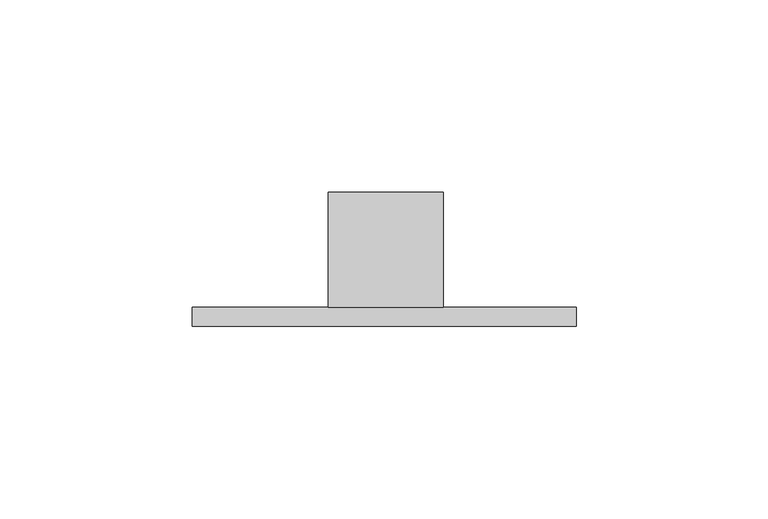
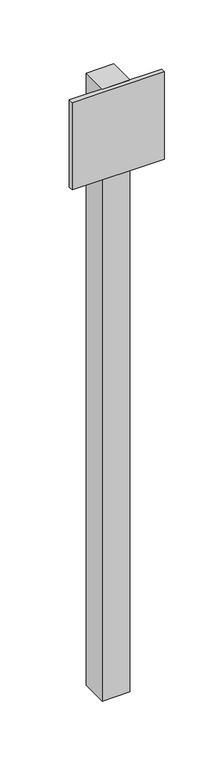
"""IFC4 building model written with IfcOpenShell, lengths in millimetres: proxy geometry."""

from ifc_helpers import new_model, si_unit, frame, origin, place, context, project, spatial, polyline, outline, extrude, source, transform, mapped, element, save


def building_element_proxy_c0ee1746(model_context):
    return source(origin(), model_context, "Body", "SweptSolid", [
        extrude(outline(polyline([(15.0, 10.0), (-15.0, 10.0), (-15.0, 40.0), (15.0, 40.0), (15.0, 10.0)])), frame((0.0, 0.0, -650.0), z_axis=(0.0, 0.0, 1.0), x_axis=(1.0, 0.0, 0.0)), (0.0, 0.0, 1.0), 700.0),
        extrude(outline(polyline([(49.5165986, 5.0), (-50.4834014, 5.0), (-50.4834014, 10.0), (49.5165986, 10.0), (49.5165986, 5.0)])), frame((0.0, 0.0, -50.0), z_axis=(0.0, 0.0, 1.0), x_axis=(1.0, 0.0, 0.0)), (0.0, 0.0, 1.0), 100.0),
    ])


if __name__ == "__main__":
    model = new_model("IFC4")
    model_context = context("Model", 3, world=origin())
    ifc_project = project(units=[si_unit("LENGTHUNIT", "METRE", prefix="MILLI")], contexts=[model_context])
    site = spatial("IfcSite", under=ifc_project)
    building = spatial("IfcBuilding", under=site)
    placement = place(None, origin())
    building_element_proxy_shape = building_element_proxy_c0ee1746(model_context)
    element("IfcBuildingElementProxy", 1, Name="Building Element Proxy", at=placement, inside=building, context=model_context, shape_type="MappedRepresentation", body=[
        mapped(building_element_proxy_shape, transform((0.0, 0.0, 0.0), x_axis=(1.0, 0.0, 0.0), y_axis=(0.0, 1.0, 0.0), z_axis=(0.0, 0.0, 1.0))),
    ])
    save(model, "model.ifc")
